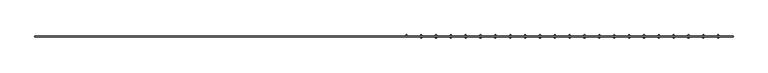
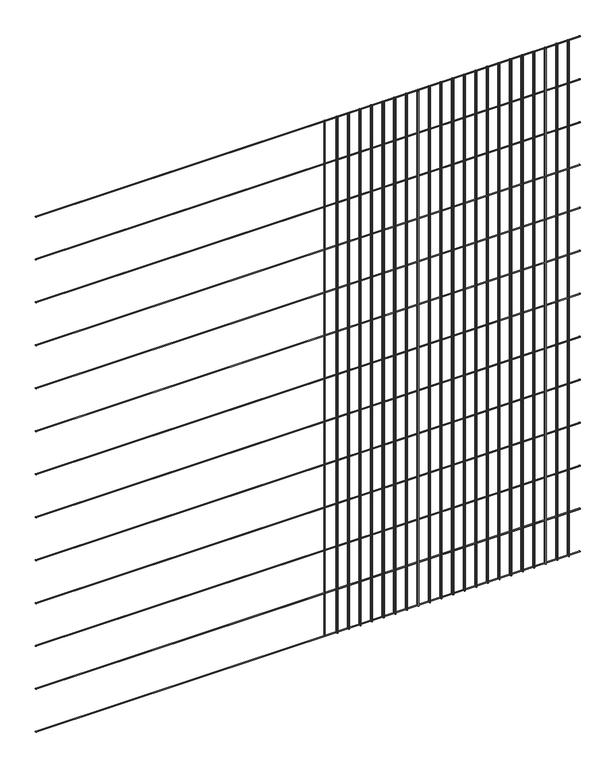
"""IFC4 building model written with IfcOpenShell, lengths in millimetres: railing geometry."""

from ifc_helpers import new_model, si_unit, point, frame, frame_2d, origin, place, context, project, spatial, circle_curve, trimmed, segment, composite_curve, outline, extrude, source, transform, mapped, element, save


def railing_043ec932(model_context):
    return source(origin(), model_context, "Body", "SweptSolid", [
        extrude(outline(composite_curve([segment(trimmed(circle_curve(frame_2d((639.6639637, 10060.4835937)), 2.0574), [point((641.7213637, 10060.4835937))], [point((637.6065637, 10060.4835937))], False, "CARTESIAN"), True, "CONTINUOUS"), segment(trimmed(circle_curve(frame_2d((639.6639637, 10060.4835937)), 2.0574), [point((637.6065637, 10060.4835937))], [point((641.7213637, 10060.4835937))], False, "CARTESIAN"), True, "CONTINUOUS")], self_intersect=False)), frame((906.5418624, 0.0, 0.0), z_axis=(1.0, 0.0, 0.0), x_axis=(0.0, 1.0, 0.0)), (0.0, 0.0, 1.0), 2438.4),
        extrude(outline(composite_curve([segment(trimmed(circle_curve(frame_2d((639.6639637, 9857.2835937)), 2.0574), [point((641.7213637, 9857.2835937))], [point((637.6065637, 9857.2835937))], False, "CARTESIAN"), True, "CONTINUOUS"), segment(trimmed(circle_curve(frame_2d((639.6639637, 9857.2835937)), 2.0574), [point((637.6065637, 9857.2835937))], [point((641.7213637, 9857.2835937))], False, "CARTESIAN"), True, "CONTINUOUS")], self_intersect=False)), frame((906.5418624, 0.0, 0.0), z_axis=(1.0, 0.0, 0.0), x_axis=(0.0, 1.0, 0.0)), (0.0, 0.0, 1.0), 2438.4),
        extrude(outline(composite_curve([segment(trimmed(circle_curve(frame_2d((639.6639637, 9654.0835937)), 2.0574), [point((641.7213637, 9654.0835937))], [point((637.6065637, 9654.0835937))], False, "CARTESIAN"), True, "CONTINUOUS"), segment(trimmed(circle_curve(frame_2d((639.6639637, 9654.0835937)), 2.0574), [point((637.6065637, 9654.0835937))], [point((641.7213637, 9654.0835937))], False, "CARTESIAN"), True, "CONTINUOUS")], self_intersect=False)), frame((906.5418624, 0.0, 0.0), z_axis=(1.0, 0.0, 0.0), x_axis=(0.0, 1.0, 0.0)), (0.0, 0.0, 1.0), 2438.4),
        extrude(outline(composite_curve([segment(trimmed(circle_curve(frame_2d((639.6639637, 9450.8835937)), 2.0574), [point((641.7213637, 9450.8835937))], [point((637.6065637, 9450.8835937))], False, "CARTESIAN"), True, "CONTINUOUS"), segment(trimmed(circle_curve(frame_2d((639.6639637, 9450.8835937)), 2.0574), [point((637.6065637, 9450.8835937))], [point((641.7213637, 9450.8835937))], False, "CARTESIAN"), True, "CONTINUOUS")], self_intersect=False)), frame((906.5418624, 0.0, 0.0), z_axis=(1.0, 0.0, 0.0), x_axis=(0.0, 1.0, 0.0)), (0.0, 0.0, 1.0), 2438.4),
        extrude(outline(composite_curve([segment(trimmed(circle_curve(frame_2d((639.6639637, 9247.6835937)), 2.0574), [point((641.7213637, 9247.6835937))], [point((637.6065637, 9247.6835937))], False, "CARTESIAN"), True, "CONTINUOUS"), segment(trimmed(circle_curve(frame_2d((639.6639637, 9247.6835937)), 2.0574), [point((637.6065637, 9247.6835937))], [point((641.7213637, 9247.6835937))], False, "CARTESIAN"), True, "CONTINUOUS")], self_intersect=False)), frame((906.5418624, 0.0, 0.0), z_axis=(1.0, 0.0, 0.0), x_axis=(0.0, 1.0, 0.0)), (0.0, 0.0, 1.0), 2438.4),
        extrude(outline(composite_curve([segment(trimmed(circle_curve(frame_2d((639.6639637, 9044.4835937)), 2.0574), [point((641.7213637, 9044.4835937))], [point((637.6065637, 9044.4835937))], False, "CARTESIAN"), True, "CONTINUOUS"), segment(trimmed(circle_curve(frame_2d((639.6639637, 9044.4835937)), 2.0574), [point((637.6065637, 9044.4835937))], [point((641.7213637, 9044.4835937))], False, "CARTESIAN"), True, "CONTINUOUS")], self_intersect=False)), frame((906.5418624, 0.0, 0.0), z_axis=(1.0, 0.0, 0.0), x_axis=(0.0, 1.0, 0.0)), (0.0, 0.0, 1.0), 2438.4),
        extrude(outline(composite_curve([segment(trimmed(circle_curve(frame_2d((639.6639637, 8841.2835937)), 2.0574), [point((641.7213637, 8841.2835937))], [point((637.6065637, 8841.2835937))], False, "CARTESIAN"), True, "CONTINUOUS"), segment(trimmed(circle_curve(frame_2d((639.6639637, 8841.2835937)), 2.0574), [point((637.6065637, 8841.2835937))], [point((641.7213637, 8841.2835937))], False, "CARTESIAN"), True, "CONTINUOUS")], self_intersect=False)), frame((906.5418624, 0.0, 0.0), z_axis=(1.0, 0.0, 0.0), x_axis=(0.0, 1.0, 0.0)), (0.0, 0.0, 1.0), 2438.4),
        extrude(outline(composite_curve([segment(trimmed(circle_curve(frame_2d((639.6639637, 8638.0835937)), 2.0574), [point((641.7213637, 8638.0835937))], [point((637.6065637, 8638.0835937))], False, "CARTESIAN"), True, "CONTINUOUS"), segment(trimmed(circle_curve(frame_2d((639.6639637, 8638.0835937)), 2.0574), [point((637.6065637, 8638.0835937))], [point((641.7213637, 8638.0835937))], False, "CARTESIAN"), True, "CONTINUOUS")], self_intersect=False)), frame((906.5418624, 0.0, 0.0), z_axis=(1.0, 0.0, 0.0), x_axis=(0.0, 1.0, 0.0)), (0.0, 0.0, 1.0), 2438.4),
        extrude(outline(composite_curve([segment(trimmed(circle_curve(frame_2d((639.6639637, 8434.8835937)), 2.0574), [point((641.7213637, 8434.8835937))], [point((637.6065637, 8434.8835937))], False, "CARTESIAN"), True, "CONTINUOUS"), segment(trimmed(circle_curve(frame_2d((639.6639637, 8434.8835937)), 2.0574), [point((637.6065637, 8434.8835937))], [point((641.7213637, 8434.8835937))], False, "CARTESIAN"), True, "CONTINUOUS")], self_intersect=False)), frame((906.5418624, 0.0, 0.0), z_axis=(1.0, 0.0, 0.0), x_axis=(0.0, 1.0, 0.0)), (0.0, 0.0, 1.0), 2438.4),
        extrude(outline(composite_curve([segment(trimmed(circle_curve(frame_2d((639.6639637, 8231.6835937)), 2.0574), [point((641.7213637, 8231.6835937))], [point((637.6065637, 8231.6835937))], False, "CARTESIAN"), True, "CONTINUOUS"), segment(trimmed(circle_curve(frame_2d((639.6639637, 8231.6835937)), 2.0574), [point((637.6065637, 8231.6835937))], [point((641.7213637, 8231.6835937))], False, "CARTESIAN"), True, "CONTINUOUS")], self_intersect=False)), frame((906.5418624, 0.0, 0.0), z_axis=(1.0, 0.0, 0.0), x_axis=(0.0, 1.0, 0.0)), (0.0, 0.0, 1.0), 2438.4),
        extrude(outline(composite_curve([segment(trimmed(circle_curve(frame_2d((639.6639637, 8028.4835937)), 2.0574), [point((641.7213637, 8028.4835937))], [point((637.6065637, 8028.4835937))], False, "CARTESIAN"), True, "CONTINUOUS"), segment(trimmed(circle_curve(frame_2d((639.6639637, 8028.4835937)), 2.0574), [point((637.6065637, 8028.4835937))], [point((641.7213637, 8028.4835937))], False, "CARTESIAN"), True, "CONTINUOUS")], self_intersect=False)), frame((906.5418624, 0.0, 0.0), z_axis=(1.0, 0.0, 0.0), x_axis=(0.0, 1.0, 0.0)), (0.0, 0.0, 1.0), 2438.4),
        extrude(outline(composite_curve([segment(trimmed(circle_curve(frame_2d((639.6639637, 7825.2835937)), 2.0574), [point((641.7213637, 7825.2835937))], [point((637.6065637, 7825.2835937))], False, "CARTESIAN"), True, "CONTINUOUS"), segment(trimmed(circle_curve(frame_2d((639.6639637, 7825.2835937)), 2.0574), [point((637.6065637, 7825.2835937))], [point((641.7213637, 7825.2835937))], False, "CARTESIAN"), True, "CONTINUOUS")], self_intersect=False)), frame((906.5418624, 0.0, 0.0), z_axis=(1.0, 0.0, 0.0), x_axis=(0.0, 1.0, 0.0)), (0.0, 0.0, 1.0), 2438.4),
        extrude(outline(composite_curve([segment(trimmed(circle_curve(frame_2d((639.6639637, 7622.0835937)), 2.0574), [point((641.7213637, 7622.0835937))], [point((637.6065637, 7622.0835937))], False, "CARTESIAN"), True, "CONTINUOUS"), segment(trimmed(circle_curve(frame_2d((639.6639637, 7622.0835937)), 2.0574), [point((637.6065637, 7622.0835937))], [point((641.7213637, 7622.0835937))], False, "CARTESIAN"), True, "CONTINUOUS")], self_intersect=False)), frame((906.5418624, 0.0, 0.0), z_axis=(1.0, 0.0, 0.0), x_axis=(0.0, 1.0, 0.0)), (0.0, 0.0, 1.0), 2438.4),
        extrude(outline(composite_curve([segment(trimmed(circle_curve(frame_2d((3293.0610113, 643.7787637)), 2.0574), [point((3293.0610113, 641.7213637))], [point((3293.0610113, 645.8361637))], False, "CARTESIAN"), True, "CONTINUOUS"), segment(trimmed(circle_curve(frame_2d((3293.0610113, 643.7787637)), 2.0574), [point((3293.0610113, 645.8361637))], [point((3293.0610113, 641.7213637))], False, "CARTESIAN"), True, "CONTINUOUS")], self_intersect=False)), frame((0.0, 0.0, 7620.0), z_axis=(0.0, 0.0, 1.0), x_axis=(1.0, 0.0, 0.0)), (0.0, 0.0, 1.0), 2438.4),
        extrude(outline(composite_curve([segment(trimmed(circle_curve(frame_2d((3293.0610113, 635.5491637)), 2.0574), [point((3293.0610113, 637.6065637))], [point((3293.0610113, 633.4917637))], False, "CARTESIAN"), True, "CONTINUOUS"), segment(trimmed(circle_curve(frame_2d((3293.0610113, 635.5491637)), 2.0574), [point((3293.0610113, 633.4917637))], [point((3293.0610113, 637.6065637))], False, "CARTESIAN"), True, "CONTINUOUS")], self_intersect=False)), frame((0.0, 0.0, 7620.0), z_axis=(0.0, 0.0, 1.0), x_axis=(1.0, 0.0, 0.0)), (0.0, 0.0, 1.0), 2438.4),
        extrude(outline(composite_curve([segment(trimmed(circle_curve(frame_2d((3241.1801603, 643.7787637)), 2.0574), [point((3241.1801603, 641.7213637))], [point((3241.1801603, 645.8361637))], False, "CARTESIAN"), True, "CONTINUOUS"), segment(trimmed(circle_curve(frame_2d((3241.1801603, 643.7787637)), 2.0574), [point((3241.1801603, 645.8361637))], [point((3241.1801603, 641.7213637))], False, "CARTESIAN"), True, "CONTINUOUS")], self_intersect=False)), frame((0.0, 0.0, 7620.0), z_axis=(0.0, 0.0, 1.0), x_axis=(1.0, 0.0, 0.0)), (0.0, 0.0, 1.0), 2438.4),
        extrude(outline(composite_curve([segment(trimmed(circle_curve(frame_2d((3241.1801603, 635.5491637)), 2.0574), [point((3241.1801603, 637.6065637))], [point((3241.1801603, 633.4917637))], False, "CARTESIAN"), True, "CONTINUOUS"), segment(trimmed(circle_curve(frame_2d((3241.1801603, 635.5491637)), 2.0574), [point((3241.1801603, 633.4917637))], [point((3241.1801603, 637.6065637))], False, "CARTESIAN"), True, "CONTINUOUS")], self_intersect=False)), frame((0.0, 0.0, 7620.0), z_axis=(0.0, 0.0, 1.0), x_axis=(1.0, 0.0, 0.0)), (0.0, 0.0, 1.0), 2438.4),
        extrude(outline(composite_curve([segment(trimmed(circle_curve(frame_2d((3189.2993092, 643.7787637)), 2.0574), [point((3189.2993092, 641.7213637))], [point((3189.2993092, 645.8361637))], False, "CARTESIAN"), True, "CONTINUOUS"), segment(trimmed(circle_curve(frame_2d((3189.2993092, 643.7787637)), 2.0574), [point((3189.2993092, 645.8361637))], [point((3189.2993092, 641.7213637))], False, "CARTESIAN"), True, "CONTINUOUS")], self_intersect=False)), frame((0.0, 0.0, 7620.0), z_axis=(0.0, 0.0, 1.0), x_axis=(1.0, 0.0, 0.0)), (0.0, 0.0, 1.0), 2438.4),
        extrude(outline(composite_curve([segment(trimmed(circle_curve(frame_2d((3189.2993092, 635.5491637)), 2.0574), [point((3189.2993092, 637.6065637))], [point((3189.2993092, 633.4917637))], False, "CARTESIAN"), True, "CONTINUOUS"), segment(trimmed(circle_curve(frame_2d((3189.2993092, 635.5491637)), 2.0574), [point((3189.2993092, 633.4917637))], [point((3189.2993092, 637.6065637))], False, "CARTESIAN"), True, "CONTINUOUS")], self_intersect=False)), frame((0.0, 0.0, 7620.0), z_axis=(0.0, 0.0, 1.0), x_axis=(1.0, 0.0, 0.0)), (0.0, 0.0, 1.0), 2438.4),
        extrude(outline(composite_curve([segment(trimmed(circle_curve(frame_2d((3137.4184581, 643.7787637)), 2.0574), [point((3137.4184581, 641.7213637))], [point((3137.4184581, 645.8361637))], False, "CARTESIAN"), True, "CONTINUOUS"), segment(trimmed(circle_curve(frame_2d((3137.4184581, 643.7787637)), 2.0574), [point((3137.4184581, 645.8361637))], [point((3137.4184581, 641.7213637))], False, "CARTESIAN"), True, "CONTINUOUS")], self_intersect=False)), frame((0.0, 0.0, 7620.0), z_axis=(0.0, 0.0, 1.0), x_axis=(1.0, 0.0, 0.0)), (0.0, 0.0, 1.0), 2438.4),
        extrude(outline(composite_curve([segment(trimmed(circle_curve(frame_2d((3137.4184581, 635.5491637)), 2.0574), [point((3137.4184581, 637.6065637))], [point((3137.4184581, 633.4917637))], False, "CARTESIAN"), True, "CONTINUOUS"), segment(trimmed(circle_curve(frame_2d((3137.4184581, 635.5491637)), 2.0574), [point((3137.4184581, 633.4917637))], [point((3137.4184581, 637.6065637))], False, "CARTESIAN"), True, "CONTINUOUS")], self_intersect=False)), frame((0.0, 0.0, 7620.0), z_axis=(0.0, 0.0, 1.0), x_axis=(1.0, 0.0, 0.0)), (0.0, 0.0, 1.0), 2438.4),
        extrude(outline(composite_curve([segment(trimmed(circle_curve(frame_2d((3085.5376071, 643.7787637)), 2.0574), [point((3085.5376071, 641.7213637))], [point((3085.5376071, 645.8361637))], False, "CARTESIAN"), True, "CONTINUOUS"), segment(trimmed(circle_curve(frame_2d((3085.5376071, 643.7787637)), 2.0574), [point((3085.5376071, 645.8361637))], [point((3085.5376071, 641.7213637))], False, "CARTESIAN"), True, "CONTINUOUS")], self_intersect=False)), frame((0.0, 0.0, 7620.0), z_axis=(0.0, 0.0, 1.0), x_axis=(1.0, 0.0, 0.0)), (0.0, 0.0, 1.0), 2438.4),
        extrude(outline(composite_curve([segment(trimmed(circle_curve(frame_2d((3085.5376071, 635.5491637)), 2.0574), [point((3085.5376071, 637.6065637))], [point((3085.5376071, 633.4917637))], False, "CARTESIAN"), True, "CONTINUOUS"), segment(trimmed(circle_curve(frame_2d((3085.5376071, 635.5491637)), 2.0574), [point((3085.5376071, 633.4917637))], [point((3085.5376071, 637.6065637))], False, "CARTESIAN"), True, "CONTINUOUS")], self_intersect=False)), frame((0.0, 0.0, 7620.0), z_axis=(0.0, 0.0, 1.0), x_axis=(1.0, 0.0, 0.0)), (0.0, 0.0, 1.0), 2438.4),
        extrude(outline(composite_curve([segment(trimmed(circle_curve(frame_2d((3033.656756, 643.7787637)), 2.0574), [point((3033.656756, 641.7213637))], [point((3033.656756, 645.8361637))], False, "CARTESIAN"), True, "CONTINUOUS"), segment(trimmed(circle_curve(frame_2d((3033.656756, 643.7787637)), 2.0574), [point((3033.656756, 645.8361637))], [point((3033.656756, 641.7213637))], False, "CARTESIAN"), True, "CONTINUOUS")], self_intersect=False)), frame((0.0, 0.0, 7620.0), z_axis=(0.0, 0.0, 1.0), x_axis=(1.0, 0.0, 0.0)), (0.0, 0.0, 1.0), 2438.4),
        extrude(outline(composite_curve([segment(trimmed(circle_curve(frame_2d((3033.656756, 635.5491637)), 2.0574), [point((3033.656756, 637.6065637))], [point((3033.656756, 633.4917637))], False, "CARTESIAN"), True, "CONTINUOUS"), segment(trimmed(circle_curve(frame_2d((3033.656756, 635.5491637)), 2.0574), [point((3033.656756, 633.4917637))], [point((3033.656756, 637.6065637))], False, "CARTESIAN"), True, "CONTINUOUS")], self_intersect=False)), frame((0.0, 0.0, 7620.0), z_axis=(0.0, 0.0, 1.0), x_axis=(1.0, 0.0, 0.0)), (0.0, 0.0, 1.0), 2438.4),
        extrude(outline(composite_curve([segment(trimmed(circle_curve(frame_2d((2981.7759049, 643.7787637)), 2.0574), [point((2981.7759049, 641.7213637))], [point((2981.7759049, 645.8361637))], False, "CARTESIAN"), True, "CONTINUOUS"), segment(trimmed(circle_curve(frame_2d((2981.7759049, 643.7787637)), 2.0574), [point((2981.7759049, 645.8361637))], [point((2981.7759049, 641.7213637))], False, "CARTESIAN"), True, "CONTINUOUS")], self_intersect=False)), frame((0.0, 0.0, 7620.0), z_axis=(0.0, 0.0, 1.0), x_axis=(1.0, 0.0, 0.0)), (0.0, 0.0, 1.0), 2438.4),
        extrude(outline(composite_curve([segment(trimmed(circle_curve(frame_2d((2981.7759049, 635.5491637)), 2.0574), [point((2981.7759049, 637.6065637))], [point((2981.7759049, 633.4917637))], False, "CARTESIAN"), True, "CONTINUOUS"), segment(trimmed(circle_curve(frame_2d((2981.7759049, 635.5491637)), 2.0574), [point((2981.7759049, 633.4917637))], [point((2981.7759049, 637.6065637))], False, "CARTESIAN"), True, "CONTINUOUS")], self_intersect=False)), frame((0.0, 0.0, 7620.0), z_axis=(0.0, 0.0, 1.0), x_axis=(1.0, 0.0, 0.0)), (0.0, 0.0, 1.0), 2438.4),
        extrude(outline(composite_curve([segment(trimmed(circle_curve(frame_2d((2929.8950539, 643.7787637)), 2.0574), [point((2929.8950539, 641.7213637))], [point((2929.8950539, 645.8361637))], False, "CARTESIAN"), True, "CONTINUOUS"), segment(trimmed(circle_curve(frame_2d((2929.8950539, 643.7787637)), 2.0574), [point((2929.8950539, 645.8361637))], [point((2929.8950539, 641.7213637))], False, "CARTESIAN"), True, "CONTINUOUS")], self_intersect=False)), frame((0.0, 0.0, 7620.0), z_axis=(0.0, 0.0, 1.0), x_axis=(1.0, 0.0, 0.0)), (0.0, 0.0, 1.0), 2438.4),
        extrude(outline(composite_curve([segment(trimmed(circle_curve(frame_2d((2929.8950539, 635.5491637)), 2.0574), [point((2929.8950539, 637.6065637))], [point((2929.8950539, 633.4917637))], False, "CARTESIAN"), True, "CONTINUOUS"), segment(trimmed(circle_curve(frame_2d((2929.8950539, 635.5491637)), 2.0574), [point((2929.8950539, 633.4917637))], [point((2929.8950539, 637.6065637))], False, "CARTESIAN"), True, "CONTINUOUS")], self_intersect=False)), frame((0.0, 0.0, 7620.0), z_axis=(0.0, 0.0, 1.0), x_axis=(1.0, 0.0, 0.0)), (0.0, 0.0, 1.0), 2438.4),
        extrude(outline(composite_curve([segment(trimmed(circle_curve(frame_2d((2878.0142028, 643.7787637)), 2.0574), [point((2878.0142028, 641.7213637))], [point((2878.0142028, 645.8361637))], False, "CARTESIAN"), True, "CONTINUOUS"), segment(trimmed(circle_curve(frame_2d((2878.0142028, 643.7787637)), 2.0574), [point((2878.0142028, 645.8361637))], [point((2878.0142028, 641.7213637))], False, "CARTESIAN"), True, "CONTINUOUS")], self_intersect=False)), frame((0.0, 0.0, 7620.0), z_axis=(0.0, 0.0, 1.0), x_axis=(1.0, 0.0, 0.0)), (0.0, 0.0, 1.0), 2438.4),
        extrude(outline(composite_curve([segment(trimmed(circle_curve(frame_2d((2878.0142028, 635.5491637)), 2.0574), [point((2878.0142028, 637.6065637))], [point((2878.0142028, 633.4917637))], False, "CARTESIAN"), True, "CONTINUOUS"), segment(trimmed(circle_curve(frame_2d((2878.0142028, 635.5491637)), 2.0574), [point((2878.0142028, 633.4917637))], [point((2878.0142028, 637.6065637))], False, "CARTESIAN"), True, "CONTINUOUS")], self_intersect=False)), frame((0.0, 0.0, 7620.0), z_axis=(0.0, 0.0, 1.0), x_axis=(1.0, 0.0, 0.0)), (0.0, 0.0, 1.0), 2438.4),
        extrude(outline(composite_curve([segment(trimmed(circle_curve(frame_2d((2826.1333518, 643.7787637)), 2.0574), [point((2826.1333518, 641.7213637))], [point((2826.1333518, 645.8361637))], False, "CARTESIAN"), True, "CONTINUOUS"), segment(trimmed(circle_curve(frame_2d((2826.1333518, 643.7787637)), 2.0574), [point((2826.1333518, 645.8361637))], [point((2826.1333518, 641.7213637))], False, "CARTESIAN"), True, "CONTINUOUS")], self_intersect=False)), frame((0.0, 0.0, 7620.0), z_axis=(0.0, 0.0, 1.0), x_axis=(1.0, 0.0, 0.0)), (0.0, 0.0, 1.0), 2438.4),
        extrude(outline(composite_curve([segment(trimmed(circle_curve(frame_2d((2826.1333518, 635.5491637)), 2.0574), [point((2826.1333518, 637.6065637))], [point((2826.1333518, 633.4917637))], False, "CARTESIAN"), True, "CONTINUOUS"), segment(trimmed(circle_curve(frame_2d((2826.1333518, 635.5491637)), 2.0574), [point((2826.1333518, 633.4917637))], [point((2826.1333518, 637.6065637))], False, "CARTESIAN"), True, "CONTINUOUS")], self_intersect=False)), frame((0.0, 0.0, 7620.0), z_axis=(0.0, 0.0, 1.0), x_axis=(1.0, 0.0, 0.0)), (0.0, 0.0, 1.0), 2438.4),
        extrude(outline(composite_curve([segment(trimmed(circle_curve(frame_2d((2774.2525007, 643.7787637)), 2.0574), [point((2774.2525007, 641.7213637))], [point((2774.2525007, 645.8361637))], False, "CARTESIAN"), True, "CONTINUOUS"), segment(trimmed(circle_curve(frame_2d((2774.2525007, 643.7787637)), 2.0574), [point((2774.2525007, 645.8361637))], [point((2774.2525007, 641.7213637))], False, "CARTESIAN"), True, "CONTINUOUS")], self_intersect=False)), frame((0.0, 0.0, 7620.0), z_axis=(0.0, 0.0, 1.0), x_axis=(1.0, 0.0, 0.0)), (0.0, 0.0, 1.0), 2438.4),
        extrude(outline(composite_curve([segment(trimmed(circle_curve(frame_2d((2774.2525007, 635.5491637)), 2.0574), [point((2774.2525007, 637.6065637))], [point((2774.2525007, 633.4917637))], False, "CARTESIAN"), True, "CONTINUOUS"), segment(trimmed(circle_curve(frame_2d((2774.2525007, 635.5491637)), 2.0574), [point((2774.2525007, 633.4917637))], [point((2774.2525007, 637.6065637))], False, "CARTESIAN"), True, "CONTINUOUS")], self_intersect=False)), frame((0.0, 0.0, 7620.0), z_axis=(0.0, 0.0, 1.0), x_axis=(1.0, 0.0, 0.0)), (0.0, 0.0, 1.0), 2438.4),
        extrude(outline(composite_curve([segment(trimmed(circle_curve(frame_2d((2722.3716496, 643.7787637)), 2.0574), [point((2722.3716496, 641.7213637))], [point((2722.3716496, 645.8361637))], False, "CARTESIAN"), True, "CONTINUOUS"), segment(trimmed(circle_curve(frame_2d((2722.3716496, 643.7787637)), 2.0574), [point((2722.3716496, 645.8361637))], [point((2722.3716496, 641.7213637))], False, "CARTESIAN"), True, "CONTINUOUS")], self_intersect=False)), frame((0.0, 0.0, 7620.0), z_axis=(0.0, 0.0, 1.0), x_axis=(1.0, 0.0, 0.0)), (0.0, 0.0, 1.0), 2438.4),
        extrude(outline(composite_curve([segment(trimmed(circle_curve(frame_2d((2722.3716496, 635.5491637)), 2.0574), [point((2722.3716496, 637.6065637))], [point((2722.3716496, 633.4917637))], False, "CARTESIAN"), True, "CONTINUOUS"), segment(trimmed(circle_curve(frame_2d((2722.3716496, 635.5491637)), 2.0574), [point((2722.3716496, 633.4917637))], [point((2722.3716496, 637.6065637))], False, "CARTESIAN"), True, "CONTINUOUS")], self_intersect=False)), frame((0.0, 0.0, 7620.0), z_axis=(0.0, 0.0, 1.0), x_axis=(1.0, 0.0, 0.0)), (0.0, 0.0, 1.0), 2438.4),
        extrude(outline(composite_curve([segment(trimmed(circle_curve(frame_2d((2670.4907986, 643.7787637)), 2.0574), [point((2670.4907986, 641.7213637))], [point((2670.4907986, 645.8361637))], False, "CARTESIAN"), True, "CONTINUOUS"), segment(trimmed(circle_curve(frame_2d((2670.4907986, 643.7787637)), 2.0574), [point((2670.4907986, 645.8361637))], [point((2670.4907986, 641.7213637))], False, "CARTESIAN"), True, "CONTINUOUS")], self_intersect=False)), frame((0.0, 0.0, 7620.0), z_axis=(0.0, 0.0, 1.0), x_axis=(1.0, 0.0, 0.0)), (0.0, 0.0, 1.0), 2438.4),
        extrude(outline(composite_curve([segment(trimmed(circle_curve(frame_2d((2670.4907986, 635.5491637)), 2.0574), [point((2670.4907986, 637.6065637))], [point((2670.4907986, 633.4917637))], False, "CARTESIAN"), True, "CONTINUOUS"), segment(trimmed(circle_curve(frame_2d((2670.4907986, 635.5491637)), 2.0574), [point((2670.4907986, 633.4917637))], [point((2670.4907986, 637.6065637))], False, "CARTESIAN"), True, "CONTINUOUS")], self_intersect=False)), frame((0.0, 0.0, 7620.0), z_axis=(0.0, 0.0, 1.0), x_axis=(1.0, 0.0, 0.0)), (0.0, 0.0, 1.0), 2438.4),
        extrude(outline(composite_curve([segment(trimmed(circle_curve(frame_2d((2618.6099475, 643.7787637)), 2.0574), [point((2618.6099475, 641.7213637))], [point((2618.6099475, 645.8361637))], False, "CARTESIAN"), True, "CONTINUOUS"), segment(trimmed(circle_curve(frame_2d((2618.6099475, 643.7787637)), 2.0574), [point((2618.6099475, 645.8361637))], [point((2618.6099475, 641.7213637))], False, "CARTESIAN"), True, "CONTINUOUS")], self_intersect=False)), frame((0.0, 0.0, 7620.0), z_axis=(0.0, 0.0, 1.0), x_axis=(1.0, 0.0, 0.0)), (0.0, 0.0, 1.0), 2438.4),
        extrude(outline(composite_curve([segment(trimmed(circle_curve(frame_2d((2618.6099475, 635.5491637)), 2.0574), [point((2618.6099475, 637.6065637))], [point((2618.6099475, 633.4917637))], False, "CARTESIAN"), True, "CONTINUOUS"), segment(trimmed(circle_curve(frame_2d((2618.6099475, 635.5491637)), 2.0574), [point((2618.6099475, 633.4917637))], [point((2618.6099475, 637.6065637))], False, "CARTESIAN"), True, "CONTINUOUS")], self_intersect=False)), frame((0.0, 0.0, 7620.0), z_axis=(0.0, 0.0, 1.0), x_axis=(1.0, 0.0, 0.0)), (0.0, 0.0, 1.0), 2438.4),
        extrude(outline(composite_curve([segment(trimmed(circle_curve(frame_2d((2566.7290964, 643.7787637)), 2.0574), [point((2566.7290964, 641.7213637))], [point((2566.7290964, 645.8361637))], False, "CARTESIAN"), True, "CONTINUOUS"), segment(trimmed(circle_curve(frame_2d((2566.7290964, 643.7787637)), 2.0574), [point((2566.7290964, 645.8361637))], [point((2566.7290964, 641.7213637))], False, "CARTESIAN"), True, "CONTINUOUS")], self_intersect=False)), frame((0.0, 0.0, 7620.0), z_axis=(0.0, 0.0, 1.0), x_axis=(1.0, 0.0, 0.0)), (0.0, 0.0, 1.0), 2438.4),
        extrude(outline(composite_curve([segment(trimmed(circle_curve(frame_2d((2566.7290964, 635.5491637)), 2.0574), [point((2566.7290964, 637.6065637))], [point((2566.7290964, 633.4917637))], False, "CARTESIAN"), True, "CONTINUOUS"), segment(trimmed(circle_curve(frame_2d((2566.7290964, 635.5491637)), 2.0574), [point((2566.7290964, 633.4917637))], [point((2566.7290964, 637.6065637))], False, "CARTESIAN"), True, "CONTINUOUS")], self_intersect=False)), frame((0.0, 0.0, 7620.0), z_axis=(0.0, 0.0, 1.0), x_axis=(1.0, 0.0, 0.0)), (0.0, 0.0, 1.0), 2438.4),
        extrude(outline(composite_curve([segment(trimmed(circle_curve(frame_2d((2514.8482454, 643.7787637)), 2.0574), [point((2514.8482454, 641.7213637))], [point((2514.8482454, 645.8361637))], False, "CARTESIAN"), True, "CONTINUOUS"), segment(trimmed(circle_curve(frame_2d((2514.8482454, 643.7787637)), 2.0574), [point((2514.8482454, 645.8361637))], [point((2514.8482454, 641.7213637))], False, "CARTESIAN"), True, "CONTINUOUS")], self_intersect=False)), frame((0.0, 0.0, 7620.0), z_axis=(0.0, 0.0, 1.0), x_axis=(1.0, 0.0, 0.0)), (0.0, 0.0, 1.0), 2438.4),
        extrude(outline(composite_curve([segment(trimmed(circle_curve(frame_2d((2514.8482454, 635.5491637)), 2.0574), [point((2514.8482454, 637.6065637))], [point((2514.8482454, 633.4917637))], False, "CARTESIAN"), True, "CONTINUOUS"), segment(trimmed(circle_curve(frame_2d((2514.8482454, 635.5491637)), 2.0574), [point((2514.8482454, 633.4917637))], [point((2514.8482454, 637.6065637))], False, "CARTESIAN"), True, "CONTINUOUS")], self_intersect=False)), frame((0.0, 0.0, 7620.0), z_axis=(0.0, 0.0, 1.0), x_axis=(1.0, 0.0, 0.0)), (0.0, 0.0, 1.0), 2438.4),
        extrude(outline(composite_curve([segment(trimmed(circle_curve(frame_2d((2462.9673943, 643.7787637)), 2.0574), [point((2462.9673943, 641.7213637))], [point((2462.9673943, 645.8361637))], False, "CARTESIAN"), True, "CONTINUOUS"), segment(trimmed(circle_curve(frame_2d((2462.9673943, 643.7787637)), 2.0574), [point((2462.9673943, 645.8361637))], [point((2462.9673943, 641.7213637))], False, "CARTESIAN"), True, "CONTINUOUS")], self_intersect=False)), frame((0.0, 0.0, 7620.0), z_axis=(0.0, 0.0, 1.0), x_axis=(1.0, 0.0, 0.0)), (0.0, 0.0, 1.0), 2438.4),
        extrude(outline(composite_curve([segment(trimmed(circle_curve(frame_2d((2462.9673943, 635.5491637)), 2.0574), [point((2462.9673943, 637.6065637))], [point((2462.9673943, 633.4917637))], False, "CARTESIAN"), True, "CONTINUOUS"), segment(trimmed(circle_curve(frame_2d((2462.9673943, 635.5491637)), 2.0574), [point((2462.9673943, 633.4917637))], [point((2462.9673943, 637.6065637))], False, "CARTESIAN"), True, "CONTINUOUS")], self_intersect=False)), frame((0.0, 0.0, 7620.0), z_axis=(0.0, 0.0, 1.0), x_axis=(1.0, 0.0, 0.0)), (0.0, 0.0, 1.0), 2438.4),
        extrude(outline(composite_curve([segment(trimmed(circle_curve(frame_2d((2411.0865432, 643.7787637)), 2.0574), [point((2411.0865432, 641.7213637))], [point((2411.0865432, 645.8361637))], False, "CARTESIAN"), True, "CONTINUOUS"), segment(trimmed(circle_curve(frame_2d((2411.0865432, 643.7787637)), 2.0574), [point((2411.0865432, 645.8361637))], [point((2411.0865432, 641.7213637))], False, "CARTESIAN"), True, "CONTINUOUS")], self_intersect=False)), frame((0.0, 0.0, 7620.0), z_axis=(0.0, 0.0, 1.0), x_axis=(1.0, 0.0, 0.0)), (0.0, 0.0, 1.0), 2438.4),
        extrude(outline(composite_curve([segment(trimmed(circle_curve(frame_2d((2411.0865432, 635.5491637)), 2.0574), [point((2411.0865432, 637.6065637))], [point((2411.0865432, 633.4917637))], False, "CARTESIAN"), True, "CONTINUOUS"), segment(trimmed(circle_curve(frame_2d((2411.0865432, 635.5491637)), 2.0574), [point((2411.0865432, 633.4917637))], [point((2411.0865432, 637.6065637))], False, "CARTESIAN"), True, "CONTINUOUS")], self_intersect=False)), frame((0.0, 0.0, 7620.0), z_axis=(0.0, 0.0, 1.0), x_axis=(1.0, 0.0, 0.0)), (0.0, 0.0, 1.0), 2438.4),
        extrude(outline(composite_curve([segment(trimmed(circle_curve(frame_2d((2359.2056922, 643.7787637)), 2.0574), [point((2359.2056922, 641.7213637))], [point((2359.2056922, 645.8361637))], False, "CARTESIAN"), True, "CONTINUOUS"), segment(trimmed(circle_curve(frame_2d((2359.2056922, 643.7787637)), 2.0574), [point((2359.2056922, 645.8361637))], [point((2359.2056922, 641.7213637))], False, "CARTESIAN"), True, "CONTINUOUS")], self_intersect=False)), frame((0.0, 0.0, 7620.0), z_axis=(0.0, 0.0, 1.0), x_axis=(1.0, 0.0, 0.0)), (0.0, 0.0, 1.0), 2438.4),
        extrude(outline(composite_curve([segment(trimmed(circle_curve(frame_2d((2359.2056922, 635.5491637)), 2.0574), [point((2359.2056922, 637.6065637))], [point((2359.2056922, 633.4917637))], False, "CARTESIAN"), True, "CONTINUOUS"), segment(trimmed(circle_curve(frame_2d((2359.2056922, 635.5491637)), 2.0574), [point((2359.2056922, 633.4917637))], [point((2359.2056922, 637.6065637))], False, "CARTESIAN"), True, "CONTINUOUS")], self_intersect=False)), frame((0.0, 0.0, 7620.0), z_axis=(0.0, 0.0, 1.0), x_axis=(1.0, 0.0, 0.0)), (0.0, 0.0, 1.0), 2438.4),
        extrude(outline(composite_curve([segment(trimmed(circle_curve(frame_2d((2307.3248411, 643.7787637)), 2.0574), [point((2307.3248411, 641.7213637))], [point((2307.3248411, 645.8361637))], False, "CARTESIAN"), True, "CONTINUOUS"), segment(trimmed(circle_curve(frame_2d((2307.3248411, 643.7787637)), 2.0574), [point((2307.3248411, 645.8361637))], [point((2307.3248411, 641.7213637))], False, "CARTESIAN"), True, "CONTINUOUS")], self_intersect=False)), frame((0.0, 0.0, 7620.0), z_axis=(0.0, 0.0, 1.0), x_axis=(1.0, 0.0, 0.0)), (0.0, 0.0, 1.0), 2438.4),
        extrude(outline(composite_curve([segment(trimmed(circle_curve(frame_2d((2307.3248411, 635.5491637)), 2.0574), [point((2307.3248411, 637.6065637))], [point((2307.3248411, 633.4917637))], False, "CARTESIAN"), True, "CONTINUOUS"), segment(trimmed(circle_curve(frame_2d((2307.3248411, 635.5491637)), 2.0574), [point((2307.3248411, 633.4917637))], [point((2307.3248411, 637.6065637))], False, "CARTESIAN"), True, "CONTINUOUS")], self_intersect=False)), frame((0.0, 0.0, 7620.0), z_axis=(0.0, 0.0, 1.0), x_axis=(1.0, 0.0, 0.0)), (0.0, 0.0, 1.0), 2438.4),
        extrude(outline(composite_curve([segment(trimmed(circle_curve(frame_2d((2255.44399, 643.7787637)), 2.0574), [point((2255.44399, 641.7213637))], [point((2255.44399, 645.8361637))], False, "CARTESIAN"), True, "CONTINUOUS"), segment(trimmed(circle_curve(frame_2d((2255.44399, 643.7787637)), 2.0574), [point((2255.44399, 645.8361637))], [point((2255.44399, 641.7213637))], False, "CARTESIAN"), True, "CONTINUOUS")], self_intersect=False)), frame((0.0, 0.0, 7620.0), z_axis=(0.0, 0.0, 1.0), x_axis=(1.0, 0.0, 0.0)), (0.0, 0.0, 1.0), 2438.4),
        extrude(outline(composite_curve([segment(trimmed(circle_curve(frame_2d((2255.44399, 635.5491637)), 2.0574), [point((2255.44399, 637.6065637))], [point((2255.44399, 633.4917637))], False, "CARTESIAN"), True, "CONTINUOUS"), segment(trimmed(circle_curve(frame_2d((2255.44399, 635.5491637)), 2.0574), [point((2255.44399, 633.4917637))], [point((2255.44399, 637.6065637))], False, "CARTESIAN"), True, "CONTINUOUS")], self_intersect=False)), frame((0.0, 0.0, 7620.0), z_axis=(0.0, 0.0, 1.0), x_axis=(1.0, 0.0, 0.0)), (0.0, 0.0, 1.0), 2438.4),
        extrude(outline(composite_curve([segment(trimmed(circle_curve(frame_2d((2203.563139, 643.7787637)), 2.0574), [point((2203.563139, 641.7213637))], [point((2203.563139, 645.8361637))], False, "CARTESIAN"), True, "CONTINUOUS"), segment(trimmed(circle_curve(frame_2d((2203.563139, 643.7787637)), 2.0574), [point((2203.563139, 645.8361637))], [point((2203.563139, 641.7213637))], False, "CARTESIAN"), True, "CONTINUOUS")], self_intersect=False)), frame((0.0, 0.0, 7620.0), z_axis=(0.0, 0.0, 1.0), x_axis=(1.0, 0.0, 0.0)), (0.0, 0.0, 1.0), 2438.4),
    ])


if __name__ == "__main__":
    model = new_model("IFC4")
    model_context = context("Model", 3, world=origin())
    ifc_project = project(units=[si_unit("LENGTHUNIT", "METRE", prefix="MILLI")], contexts=[model_context])
    site = spatial("IfcSite", under=ifc_project)
    building = spatial("IfcBuilding", under=site)
    placement = place(None, origin())
    railing_shape = railing_043ec932(model_context)
    element("IfcRailing", 1, at=placement, inside=building, context=model_context, shape_type="MappedRepresentation", body=[
        mapped(railing_shape, transform((0.0, 0.0, 0.0), x_axis=(1.0, 0.0, 0.0), y_axis=(0.0, 1.0, 0.0), z_axis=(0.0, 0.0, 1.0))),
    ])
    save(model, "model.ifc")
